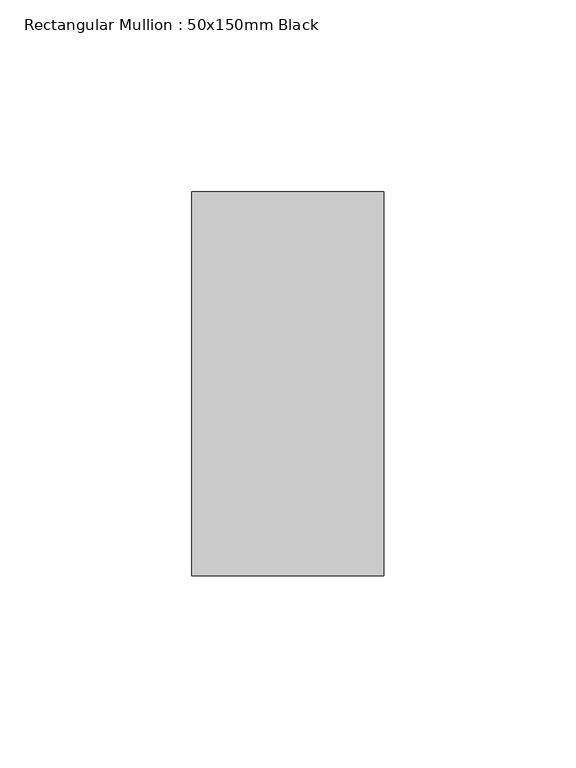
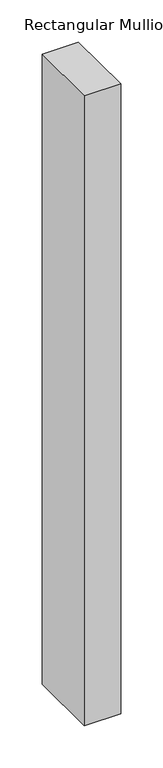
"""IFC4 building model written with IfcOpenShell, lengths in millimetres: member geometry, Rectangular Mullion : 50x150mm Black."""

from ifc_helpers import new_model, si_unit, frame, origin, place, context, project, spatial, polyline, outline, extrude, source, transform, mapped, element, save


def rectangular_mullion_50x150mm_black_d1c6cbb2(model_context):
    return source(origin(), model_context, "Body", "SweptSolid", [
        extrude(outline(polyline([(25.0, 50.0), (25.0, -50.0), (-25.0, -50.0), (-25.0, 50.0), (25.0, 50.0)])), frame((0.0, 0.0, -914.3), z_axis=(0.0, 0.0, 1.0), x_axis=(1.0, 0.0, 0.0)), (0.0, 0.0, 1.0), 914.3),
    ])


if __name__ == "__main__":
    model = new_model("IFC4")
    model_context = context("Model", 3, world=origin())
    ifc_project = project(units=[si_unit("LENGTHUNIT", "METRE", prefix="MILLI")], contexts=[model_context])
    site = spatial("IfcSite", under=ifc_project)
    building = spatial("IfcBuilding", under=site)
    placement = place(None, origin())
    rectangular_mullion_50x150mm_black_shape = rectangular_mullion_50x150mm_black_d1c6cbb2(model_context)
    element("IfcMember", 1, ObjectType="Rectangular Mullion : 50x150mm Black", at=placement, inside=building, context=model_context, shape_type="MappedRepresentation", body=[
        mapped(rectangular_mullion_50x150mm_black_shape, transform((0.0, 0.0, 0.0), x_axis=(1.0, 0.0, 0.0), y_axis=(0.0, 1.0, 0.0), z_axis=(0.0, 0.0, 1.0))),
    ])
    save(model, "model.ifc")
